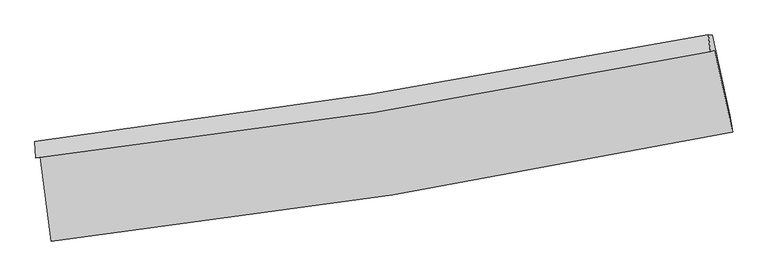
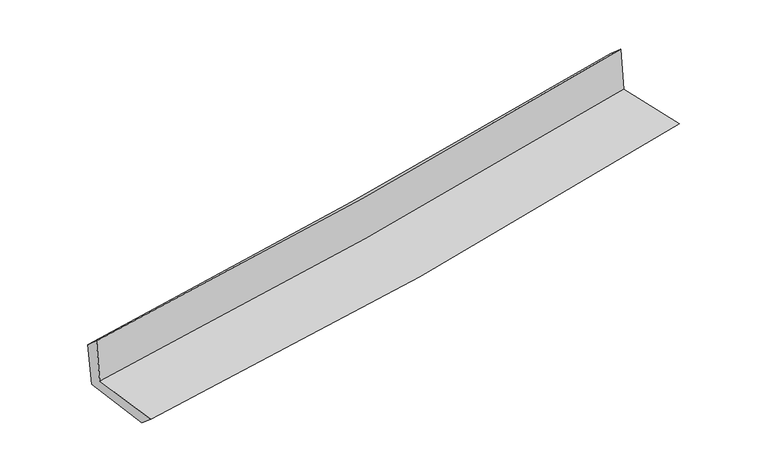
"""IFC4 building model written with IfcOpenShell, lengths in millimetres: proxy geometry."""

from ifc_helpers import new_model, si_unit, frame, origin, place, context, project, spatial, source, transform, mapped, element, save
from ifc_brep_helpers import plane_surface, spline_curve, spline_surface, advanced_brep


def generic_models_528b688b(model_context):
    return source(origin(), model_context, "Body", "AdvancedBrep", [
        advanced_brep(
        [(-2693.2048003, -1895.8261439, 1642.6403898), (-2607.5214404, -2562.1625511, 1643.9879772), (2777.3455703, -1700.3528967, 2120.9864043), (2636.9362396, -1053.0796105, 2119.171905), (-2727.8990708, -1905.7575947, 2052.8412082), (2602.8639894, -1062.6585653, 2524.9638273), (-2734.62423, -1774.9098224, 1937.4019621), (2584.6880575, -931.1466642, 2408.3975697), (-2699.6223678, -1777.4551235, 1542.0135188), (2618.6308854, -933.4418637, 2033.003445), (-2614.7339548, -2431.0340126, 1533.6937818), (2756.5055732, -1566.914477, 2029.6265795)],
        [
            (0, 1),
            (1, 2, spline_curve(3, [(-2607.5214404, -2562.1625511, 1643.9879772), (-1704.375183143, -2460.889790239, 1715.018567396), (-805.010157762, -2338.633549532, 1790.190296014), (989.977841467, -2051.543070619, 1949.154365609), (1885.568486438, -1886.529426805, 2032.982112609), (2777.3455703, -1700.3528967, 2120.9864043)], [4, 2, 4], [0.0, 8.917177446384043, 17.87239410255545])),
            (2, 3),
            (3, 0, spline_curve(3, [(2636.9362396, -1053.0796105, 2119.171905), (1752.866190416, -1234.475782969, 2042.721025481), (865.700792275, -1395.508972483, 1964.696764554), (-911.039127979, -1676.251858545, 1805.839587961), (-1800.587409952, -1796.13418013, 1725.020010542), (-2693.2048003, -1895.8261439, 1642.6403898)], [4, 2, 4], [0.0, 8.955216656171407, 17.87239410255545])),
            (4, 0),
            (3, 5),
            (5, 4, spline_curve(3, [(2602.8639894, -1062.6585653, 2524.9638273), (1718.47184017, -1244.107534027, 2451.745626017), (831.093679004, -1405.196565291, 2375.703237732), (-945.852654782, -1686.0569758, 2218.305089818), (-1835.395513553, -1806.000954614, 2136.973271649), (-2727.8990708, -1905.7575947, 2052.8412082)], [4, 2, 4], [0.0, 8.908624430648752, 17.779407562014057])),
            (6, 4),
            (5, 7),
            (7, 6, spline_curve(3, [(2584.6880575, -931.1466642, 2408.3975697), (1700.751328918, -1101.991425006, 2331.348952534), (814.558690302, -1257.845217071, 2253.489750451), (-958.564529512, -1538.972519174, 2096.484342999), (-1845.475987004, -1664.373112793, 2017.345009382), (-2734.62423, -1774.9098224, 1937.4019621)], [4, 2, 4], [0.0, 8.898921837062549, 17.760043588695773])),
            (8, 6),
            (7, 9),
            (9, 8, spline_curve(3, [(2618.6308854, -933.4418637, 2033.003445), (1735.472675774, -1104.374322748, 1945.972465336), (849.757097348, -1260.292801004, 1861.459411738), (-923.01566666, -1541.50327522, 1697.817448411), (-1810.051172883, -1666.922549795, 1618.667193421), (-2699.6223678, -1777.4551235, 1542.0135188)], [4, 2, 4], [0.0, 8.889686318745904, 17.74161178191389])),
            (10, 8),
            (9, 11),
            (11, 10, spline_curve(3, [(2756.5055732, -1566.914477, 2029.6265795), (1865.33770719, -1745.120890808, 1941.751364992), (971.191485543, -1906.35126888, 1856.403430841), (-819.246939053, -2194.24720176, 1691.113923304), (-1715.513893566, -2321.056668797, 1611.150924472), (-2614.7339548, -2431.0340126, 1533.6937818)], [4, 2, 4], [0.0, 8.936362920056876, 17.834766715627598])),
            (1, 10),
            (11, 2),
        ],
        [
            spline_surface(3, 3, [[(-2693.2048003, -1895.8261439, 1642.6403898), (-1800.587409852, -1796.134180253, 1725.020010513), (-911.039128076, -1676.251858646, 1805.839587985), (865.700792372, -1395.508972381, 1964.696764529), (1752.866190547, -1234.475782903, 2042.721025496), (2636.9362396, -1053.0796105, 2119.171905)], [(-2664.643680334, -2117.938279616, 1643.089585602), (-1768.516667569, -2017.719383601, 1721.686196155), (-875.696137966, -1897.045755604, 1800.623157336), (907.126475427, -1614.187005158, 1959.515964868), (1797.100289199, -1451.826997526, 2039.47472123), (2683.73934984, -1268.837372585, 2119.776738114)], [(-2636.082560366, -2340.050415384, 1643.538781398), (-1736.445925284, -2239.304587001, 1718.352381792), (-840.353147899, -2117.839652521, 1795.406726707), (948.552158439, -1832.865037895, 1954.335165226), (1841.334387832, -1669.178212094, 2036.228416922), (2730.54246006, -1484.595134615, 2120.381571186)], [(-2607.5214404, -2562.1625511, 1643.9879772), (-1704.375183001, -2460.889790348, 1715.018567435), (-805.010157789, -2338.633549479, 1790.190296058), (989.977841494, -2051.543070672, 1949.154365565), (1885.568486485, -1886.529426717, 2032.982112656), (2777.3455703, -1700.3528967, 2120.9864043)]], [4, 4], [4, 2, 4], [0.0, 2.196079640664788], [0.0, 8.917177446384043, 17.87239410255545]),
            spline_surface(3, 3, [[(-2727.8990708, -1905.7575947, 2052.8412082), (-1835.395513488, -1806.000954484, 2136.973271667), (-945.852654717, -1686.056975893, 2218.305089715), (831.093678939, -1405.196565198, 2375.703237835), (1718.47184022, -1244.107533928, 2451.745626103), (2602.8639894, -1062.6585653, 2524.9638273)], [(-2716.334313988, -1902.447111122, 1916.107602086), (-1823.792812297, -1802.712029762, 1999.655517969), (-934.248145828, -1682.788603457, 2080.816589146), (842.629383426, -1401.967367572, 2238.701080074), (1729.936623641, -1240.89695022, 2315.404092542), (2614.221406113, -1059.465580334, 2389.699853174)], [(-2704.769557112, -1899.136627478, 1779.373995914), (-1812.190111042, -1799.423104975, 1862.337764211), (-922.643636966, -1679.520231082, 1943.328088555), (854.165087885, -1398.738170007, 2101.698922291), (1741.401407125, -1237.686366611, 2179.062559057), (2625.578822887, -1056.272595466, 2254.435879126)], [(-2693.2048003, -1895.8261439, 1642.6403898), (-1800.587409852, -1796.134180253, 1725.020010513), (-911.039128076, -1676.251858646, 1805.839587985), (865.700792372, -1395.508972381, 1964.696764529), (1752.866190547, -1234.475782903, 2042.721025496), (2636.9362396, -1053.0796105, 2119.171905)]], [4, 4], [4, 2, 4], [0.0, 1.355998215596295], [0.0, 8.870783131365306, 17.779407562014057]),
            spline_surface(3, 3, [[(-2734.62423, -1774.9098224, 1937.4019621), (-1845.475987018, -1664.373112919, 2017.345009288), (-958.564529622, -1538.972519033, 2096.484342961), (814.558690412, -1257.845217213, 2253.489750489), (1700.75132889, -1101.991425034, 2331.348952648), (2584.6880575, -931.1466642, 2408.3975697)], [(-2732.382510271, -1818.525746472, 1975.881710799), (-1842.11582918, -1711.582393413, 2057.221096747), (-954.327238012, -1588.000671327, 2137.091258524), (820.070353229, -1306.962333215, 2294.227579583), (1706.658166023, -1149.363461335, 2371.48117714), (2590.74670149, -974.98396457, 2447.252988907)], [(-2730.140790529, -1862.141670628, 2014.361459501), (-1838.755671326, -1758.791673991, 2097.097184208), (-950.089946327, -1637.028823599, 2177.698174152), (825.582016121, -1356.079449195, 2334.965408741), (1712.565003087, -1196.735497627, 2411.613401611), (2596.80534541, -1018.82126493, 2486.108408093)], [(-2727.8990708, -1905.7575947, 2052.8412082), (-1835.395513488, -1806.000954484, 2136.973271667), (-945.852654717, -1686.056975893, 2218.305089715), (831.093678939, -1405.196565198, 2375.703237835), (1718.47184022, -1244.107533928, 2451.745626103), (2602.8639894, -1062.6585653, 2524.9638273)]], [4, 4], [4, 2, 4], [0.0, 0.6291664994404307], [0.0, 8.861121751633224, 17.760043588695773]),
            spline_surface(3, 3, [[(-2699.6223678, -1777.4551235, 1542.0135188), (-1810.051172757, -1666.922549862, 1618.667193314), (-923.015666752, -1541.503275087, 1697.817448434), (849.75709744, -1260.292801137, 1861.459411715), (1735.472675864, -1104.374322666, 1945.972465365), (2618.6308854, -933.4418637, 2033.003445)], [(-2711.289655197, -1776.606689817, 1673.809666544), (-1821.859444175, -1666.072737565, 1751.559798616), (-934.865287685, -1540.659689741, 1830.706413294), (838.024295121, -1259.476939835, 1992.136191324), (1723.898893536, -1103.580023481, 2074.431294472), (2607.31660943, -932.676797226, 2158.134819914)], [(-2722.956942603, -1775.758256083, 1805.605814356), (-1833.667715601, -1665.222925217, 1884.452403986), (-946.714908688, -1539.816104378, 1963.595378101), (826.291492732, -1258.661078515, 2122.81297088), (1712.325111218, -1102.785724219, 2202.89012354), (2596.00233347, -931.911730674, 2283.266194786)], [(-2734.62423, -1774.9098224, 1937.4019621), (-1845.475987018, -1664.373112919, 2017.345009288), (-958.564529622, -1538.972519033, 2096.484342961), (814.558690412, -1257.845217213, 2253.489750489), (1700.75132889, -1101.991425034, 2331.348952648), (2584.6880575, -931.1466642, 2408.3975697)]], [4, 4], [4, 2, 4], [0.0, 1.3022362376772998], [0.0, 8.851925463167985, 17.74161178191389]),
            spline_surface(3, 3, [[(-2614.7339548, -2431.0340126, 1533.6937818), (-1715.513893507, -2321.056668881, 1611.150924507), (-819.246939106, -2194.247201703, 1691.113923165), (971.191485596, -1906.351268937, 1856.403430981), (1865.337707139, -1745.120890909, 1941.751364916), (2756.5055732, -1566.914477, 2029.6265795)], [(-2643.030092443, -2213.174382888, 1536.46702747), (-1747.026319899, -2103.011962529, 1613.656347446), (-853.836514982, -1976.665892835, 1693.348431577), (930.713356217, -1690.998446341, 1858.088757881), (1822.049363362, -1531.53870147, 1943.158398397), (2710.547343915, -1355.756939209, 2030.752201331)], [(-2671.326230157, -1995.314753212, 1539.24027313), (-1778.538746364, -1884.967256214, 1616.161770375), (-888.426090876, -1759.084583955, 1695.582940022), (890.23522682, -1475.645623733, 1859.774084815), (1778.761019641, -1317.956512105, 1944.565431884), (2664.589114685, -1144.599401491, 2031.877823169)], [(-2699.6223678, -1777.4551235, 1542.0135188), (-1810.051172757, -1666.922549862, 1618.667193314), (-923.015666752, -1541.503275087, 1697.817448434), (849.75709744, -1260.292801137, 1861.459411715), (1735.472675864, -1104.374322666, 1945.972465365), (2618.6308854, -933.4418637, 2033.003445)]], [4, 4], [4, 2, 4], [0.0, 2.162433179443304], [0.0, 8.898403795570722, 17.834766715627598]),
            spline_surface(3, 3, [[(-2607.5214404, -2562.1625511, 1643.9879772), (-1704.375183001, -2460.889790348, 1715.018567435), (-805.010157789, -2338.633549479, 1790.190296058), (989.977841494, -2051.543070672, 1949.154365565), (1885.568486485, -1886.529426717, 2032.982112656), (2777.3455703, -1700.3528967, 2120.9864043)], [(-2609.925611866, -2518.453038286, 1607.223245398), (-1708.088086502, -2414.278749878, 1680.396019791), (-809.755751589, -2290.504766877, 1757.164838441), (983.715722834, -2003.145803417, 1918.237387385), (1878.824893383, -1839.393248124, 2002.571863402), (2770.398904613, -1655.873423476, 2090.533129359)], [(-2612.329783334, -2474.743525414, 1570.458513602), (-1711.800990006, -2367.66770935, 1645.773472151), (-814.501345306, -2242.375984305, 1724.139380782), (977.453604256, -1954.748536192, 1887.320409162), (1872.081300241, -1792.257069502, 1972.16161417), (2763.452238887, -1611.393950224, 2060.079854441)], [(-2614.7339548, -2431.0340126, 1533.6937818), (-1715.513893507, -2321.056668881, 1611.150924507), (-819.246939106, -2194.247201703, 1691.113923165), (971.191485596, -1906.351268937, 1856.403430981), (1865.337707139, -1745.120890909, 1941.751364916), (2756.5055732, -1566.914477, 2029.6265795)]], [4, 4], [4, 2, 4], [0.0, 0.5723552701700563], [0.0, 8.954034418495189, 17.946265272548196]),
            plane_surface(frame((2662.8283859, -1207.9323462, 2206.0249551), z_axis=(0.9735377733449377, 0.2114271799988797, 0.08673379634434254), x_axis=(-0.09005014208798355, 0.006089151870343332, 0.9959186182311454))),
            plane_surface(frame((-2679.6009774, -2057.8575414, 1725.4298063), z_axis=(-0.9880808600147336, -0.12723131575130797, -0.08665106095562564), x_axis=(-0.12753837808328813, 0.9918316080001032, -0.002005863358765589))),
        ],
        [
            (0, [[1, 2, 3, 4]]),
            (1, [[5, -4, 6, 7]]),
            (2, [[8, -7, 9, 10]]),
            (3, [[11, -10, 12, 13]]),
            (4, [[14, -13, 15, 16]]),
            (5, [[17, -16, 18, -2]]),
            (6, [[-12, -9, -6, -3, -18, -15]]),
            (7, [[-1, -5, -8, -11, -14, -17]]),
        ],
    ),
    ])


if __name__ == "__main__":
    model = new_model("IFC4")
    model_context = context("Model", 3, world=origin())
    ifc_project = project(units=[si_unit("LENGTHUNIT", "METRE", prefix="MILLI")], contexts=[model_context])
    site = spatial("IfcSite", under=ifc_project)
    building = spatial("IfcBuilding", under=site)
    placement = place(None, origin())
    generic_models_shape = generic_models_528b688b(model_context)
    element("IfcBuildingElementProxy", 1, Name="Generic Models", at=placement, inside=building, context=model_context, shape_type="MappedRepresentation", body=[
        mapped(generic_models_shape, transform((0.0, 0.0, 0.0), x_axis=(1.0, 0.0, 0.0), y_axis=(0.0, 1.0, 0.0), z_axis=(0.0, 0.0, 1.0))),
    ])
    save(model, "model.ifc")
